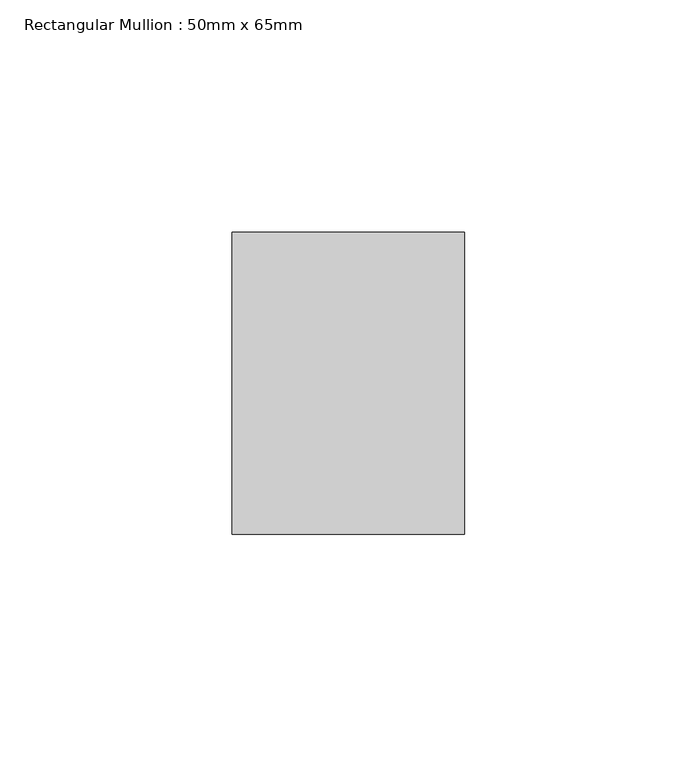
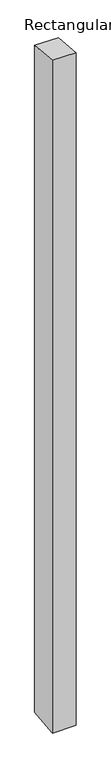
"""IFC4 building model written with IfcOpenShell, lengths in millimetres: member geometry, Rectangular Mullion : 50mm x 65mm."""

import ifcopenshell
import ifcopenshell.guid

model = None  # the IFC model being written
_history = None  # IfcOwnerHistory: only IFC2X3 demands one
_inside = {}  # id of a spatial element -> (the spatial element, [elements in it])
_under = {}  # id of a project, library or spatial element -> (it, [spatial elements below it])
_declared = {}  # id of a project -> (the project, [libraries it declares])
_typed = {}  # id of a type object -> (the type object, [elements of that type])
_made_of = {}  # id of a material, layer set ... -> (it, [elements and type objects made of it])


def new_model(schema):
    """Start an empty IFC model of exactly this schema.

    Asked for "IFC4X3", IfcOpenShell would pick the latest addendum, in which some entities
    have other attributes; the version numbers below select the first issue.
    IFC2X3 requires an IfcOwnerHistory on every rooted entity: one is made here for all.
    """
    global model, _history
    if schema == "IFC4X3":
        model = ifcopenshell.file(schema_version=(4, 3, 0, 0))
    else:
        model = ifcopenshell.file(schema=schema)
    _inside.clear()
    _under.clear()
    _declared.clear()
    _typed.clear()
    _made_of.clear()
    _history = None
    if model.schema == "IFC2X3":
        org = make("IfcOrganization", Name="unknown")
        user = make(
            "IfcPersonAndOrganization",
            ThePerson=make("IfcPerson", FamilyName="unknown"),
            TheOrganization=org,
        )
        app = make(
            "IfcApplication",
            ApplicationDeveloper=org,
            Version="unknown",
            ApplicationFullName="unknown",
            ApplicationIdentifier="unknown",
        )
        _history = make(
            "IfcOwnerHistory",
            OwningUser=user,
            OwningApplication=app,
            ChangeAction="ADDED",
            CreationDate=0,
        )
    return model


def make(cls, **values):
    """One entity of the class cls with the attributes given. An attribute that is None is left unset."""
    return model.create_entity(
        cls, **{name: value for name, value in values.items() if value is not None}
    )


def rooted(cls, **values):
    """An entity with a GlobalId (a new one), such as an element, a storey or a relation."""
    return make(cls, GlobalId=ifcopenshell.guid.new(), OwnerHistory=_history, **values)


def si_unit(unit_type, name, prefix=None):
    """IfcSIUnit, for example si_unit("LENGTHUNIT", "METRE", prefix="MILLI")."""
    return make("IfcSIUnit", UnitType=unit_type, Prefix=prefix, Name=name)


def assignment(units):
    """IfcUnitAssignment: the units of a project."""
    return None if units is None else make("IfcUnitAssignment", Units=units)


def point(xyz):
    """IfcCartesianPoint."""
    return None if xyz is None else make("IfcCartesianPoint", Coordinates=xyz)


def direction(xyz):
    """IfcDirection."""
    return None if xyz is None else make("IfcDirection", DirectionRatios=xyz)


def frame(location, z_axis=None, x_axis=None):
    """IfcAxis2Placement3D, a coordinate frame: its origin and axes. An axis left out is left unset."""
    return make(
        "IfcAxis2Placement3D",
        Location=point(location),
        Axis=direction(z_axis),
        RefDirection=direction(x_axis),
    )


def origin():
    """The frame at (0, 0, 0) with its axes left unset."""
    return frame((0.0, 0.0, 0.0))


def place(relative_to, where):
    """IfcLocalPlacement: puts the frame where relative to a parent placement (None: the world)."""
    return make(
        "IfcLocalPlacement", PlacementRelTo=relative_to, RelativePlacement=where
    )


def context(
    kind, dimensions, precision=None, world=None, true_north=None, identifier=None
):
    """IfcGeometricRepresentationContext, for example the 3D "Model" context."""
    return make(
        "IfcGeometricRepresentationContext",
        ContextIdentifier=identifier,
        ContextType=kind,
        CoordinateSpaceDimension=dimensions,
        Precision=precision,
        WorldCoordinateSystem=world,
        TrueNorth=true_north,
    )


def project(units=None, contexts=None):
    """IfcProject with its units and contexts."""
    return rooted(
        "IfcProject",
        Name="project",
        RepresentationContexts=contexts,
        UnitsInContext=assignment(units),
    )


def spatial(cls, under=None, at=None, **own):
    """A site, building, storey or space (cls), placed at a placement, below another one or the project."""
    s = rooted(cls, ObjectPlacement=at, **own)
    if under is not None:
        _under.setdefault(under.id(), (under, []))[1].append(s)
    return s


def faces_of(points, faces, orient=None, outer=None):
    """IfcFace entities. A face is a list of loops; a loop is a list of indices into points, from 0.

    orient and outer hold one flag for each loop. By default every Orientation is true, the
    first loop of a face is its IfcFaceOuterBound and the others are IfcFaceBound.
    """
    made = []
    for i, loops in enumerate(faces):
        bounds = []
        for j, loop in enumerate(loops):
            is_outer = j == 0 if outer is None else outer[i][j]
            bounds.append(
                make(
                    "IfcFaceOuterBound" if is_outer else "IfcFaceBound",
                    Bound=make("IfcPolyLoop", Polygon=[points[k] for k in loop]),
                    Orientation=True if orient is None else orient[i][j],
                )
            )
        made.append(make("IfcFace", Bounds=bounds))
    return made


def faceted_brep(points, faces, orient=None, outer=None, voids=None):
    """IfcFacetedBrep: a solid bounded by flat faces; with voids (closed shells), ...WithVoids."""
    shared = [point(p) for p in points]
    hull = make("IfcClosedShell", CfsFaces=faces_of(shared, faces, orient, outer))
    if voids is None:
        return make("IfcFacetedBrep", Outer=hull)
    return make(
        "IfcFacetedBrepWithVoids",
        Outer=hull,
        Voids=[
            make(cls, CfsFaces=faces_of(shared, fs, o, b)) for cls, fs, o, b in voids
        ],
    )


def shape(context_of_items, identifier, shape_type, items):
    """IfcShapeRepresentation: the items that make up one representation, for example the "Body"."""
    return make(
        "IfcShapeRepresentation",
        ContextOfItems=context_of_items,
        RepresentationIdentifier=identifier,
        RepresentationType=shape_type,
        Items=items,
    )


def source(mapping_origin, context_of_items, identifier, shape_type, items):
    """IfcRepresentationMap: a shape defined once, which mapped items show again and again."""
    return make(
        "IfcRepresentationMap",
        MappingOrigin=mapping_origin,
        MappedRepresentation=shape(context_of_items, identifier, shape_type, items),
    )


def transform(
    local_origin,
    x_axis=None,
    y_axis=None,
    z_axis=None,
    scale=None,
    scale2=None,
    scale3=None,
    uniform=True,
):
    """IfcCartesianTransformationOperator3D, or its non-uniform kind. x_axis, y_axis, z_axis: its Axis1, 2, 3."""
    if uniform:
        return make(
            "IfcCartesianTransformationOperator3D",
            Axis1=direction(x_axis),
            Axis2=direction(y_axis),
            LocalOrigin=point(local_origin),
            Scale=scale,
            Axis3=direction(z_axis),
        )
    return make(
        "IfcCartesianTransformationOperator3DnonUniform",
        Axis1=direction(x_axis),
        Axis2=direction(y_axis),
        LocalOrigin=point(local_origin),
        Scale=scale,
        Axis3=direction(z_axis),
        Scale2=scale2,
        Scale3=scale3,
    )


def mapped(mapping_source, mapping_target):
    """IfcMappedItem: shows the shape of a source again, moved by a transform."""
    return make(
        "IfcMappedItem", MappingSource=mapping_source, MappingTarget=mapping_target
    )


def made_of(thing, what):
    """Note that an element or type object is made of a material, layer set ...; save() writes the relation."""
    if what is not None:
        _made_of.setdefault(what.id(), (what, []))[1].append(thing)
    return thing


def element(
    cls,
    number,
    at=None,
    inside=None,
    cuts=None,
    type_object=None,
    material=None,
    context=None,
    identifier="Body",
    shape_type=None,
    held_by="IfcProductDefinitionShape",
    body=None,
    shapes=None,
    **own,
):
    """One element of the class cls, such as IfcWall. Its Tag is "e" and its number.

    at: its placement. inside: the storey or other place that contains it. cuts: it is an
    opening in that element (IfcRelVoidsElement). A single representation is given by context,
    identifier, shape_type and body (its items); several are given by shapes. held_by: the class
    of the entity that holds the representations. save() writes the other relations.
    """
    e = rooted(cls, Tag="e%d" % number, ObjectPlacement=at, **own)
    if body is not None:
        shapes = [shape(context, identifier, shape_type, body)]
    if shapes is not None:
        e.Representation = make(held_by, Representations=shapes)
    if inside is not None:
        _inside.setdefault(inside.id(), (inside, []))[1].append(e)
    if cuts is not None:
        rooted(
            "IfcRelVoidsElement", RelatingBuildingElement=cuts, RelatedOpeningElement=e
        )
    if type_object is not None:
        _typed.setdefault(type_object.id(), (type_object, []))[1].append(e)
    return made_of(e, material)


def aggregate(whole, parts):
    """IfcRelAggregates: a whole, such as a stair, and the parts it consists of."""
    return rooted("IfcRelAggregates", RelatingObject=whole, RelatedObjects=parts)


def save(model, path):
    """Write the relations noted so far, then the file.

    IfcRelAggregates (storeys below a building ...), IfcRelContainedInSpatialStructure (elements
    in a storey), IfcRelDefinesByType, IfcRelAssociatesMaterial and IfcRelDeclares: one each for
    every whole, place, type object, material and project.
    """
    for whole, parts in _under.values():
        aggregate(whole, parts)
    for where, things in _inside.values():
        rooted(
            "IfcRelContainedInSpatialStructure",
            RelatedElements=things,
            RelatingStructure=where,
        )
    for kind, things in _typed.values():
        rooted("IfcRelDefinesByType", RelatedObjects=things, RelatingType=kind)
    for what, things in _made_of.values():
        rooted("IfcRelAssociatesMaterial", RelatedObjects=things, RelatingMaterial=what)
    for by, libraries in _declared.values():
        rooted("IfcRelDeclares", RelatingContext=by, RelatedDefinitions=libraries)
    model.write(path)


def rectangular_mullion_50mm_x_65mm_389e51ec(model_context):
    return source(origin(), model_context, "Body", "Brep", [
        faceted_brep([(-25.0, 32.5, -2.9911485), (25.0, 32.5, -2.9911627), (25.0, 32.5, -1496.6283385), (-25.0, 32.5, -1496.6283546), (-25.0, -32.5, 2.9911627), (-25.0, -32.5, -1503.3717169), (25.0, -32.5, 2.9911485), (25.0, -32.5, -1503.3717008)], [[[0, 1, 2, 3]], [[4, 0, 3, 5]], [[6, 4, 5, 7]], [[1, 6, 7, 2]], [[1, 0, 4, 6]], [[2, 7, 5, 3]]]),
    ])


if __name__ == "__main__":
    model = new_model("IFC4")
    model_context = context("Model", 3, world=origin())
    ifc_project = project(units=[si_unit("LENGTHUNIT", "METRE", prefix="MILLI")], contexts=[model_context])
    site = spatial("IfcSite", under=ifc_project)
    building = spatial("IfcBuilding", under=site)
    placement = place(None, origin())
    rectangular_mullion_50mm_x_65mm_shape = rectangular_mullion_50mm_x_65mm_389e51ec(model_context)
    element("IfcMember", 1, ObjectType="Rectangular Mullion : 50mm x 65mm", at=placement, inside=building, context=model_context, shape_type="MappedRepresentation", body=[
        mapped(rectangular_mullion_50mm_x_65mm_shape, transform((0.0, 0.0, 0.0), x_axis=(1.0, 0.0, 0.0), y_axis=(0.0, 1.0, 0.0), z_axis=(0.0, 0.0, 1.0))),
    ])
    save(model, "model.ifc")
